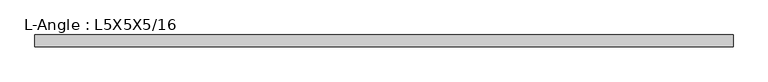
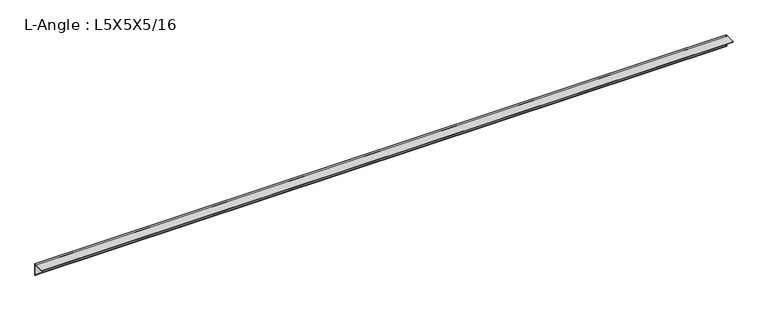
"""IFC4 building model written with IfcOpenShell, lengths in millimetres: beam geometry, L-Angle : L5X5X5/16."""

from ifc_helpers import new_model, si_unit, point, frame, frame_2d, origin, place, context, project, spatial, polyline, circle_curve, trimmed, segment, composite_curve, outline, extrude, source, transform, mapped, element, save


def l_angle_l5x5x5_16_a38f72eb(model_context):
    return source(origin(), model_context, "Body", "SweptSolid", [
        extrude(outline(composite_curve([segment(polyline([(34.3296875, 34.3296875), (34.3296875, -92.6703125)]), True, "CONTINUOUS"), segment(trimmed(circle_curve(frame_2d((34.3296875, -84.7328125)), 7.9375), [point((34.3296875, -92.6703125))], [point((26.3921875, -84.7328125))], False, "CARTESIAN"), True, "CONTINUOUS"), segment(polyline([(26.3921875, -84.7328125), (26.3921875, 18.4546875)]), True, "CONTINUOUS"), segment(trimmed(circle_curve(frame_2d((18.4546875, 18.4546875)), 7.9375), [point((26.3921875, 18.4546875))], [point((18.4546875, 26.3921875))], True, "CARTESIAN"), True, "CONTINUOUS"), segment(polyline([(18.4546875, 26.3921875), (-84.7328125, 26.3921875)]), True, "CONTINUOUS"), segment(trimmed(circle_curve(frame_2d((-84.7328125, 34.3296875)), 7.9375), [point((-84.7328125, 26.3921875))], [point((-92.6703125, 34.3296875))], False, "CARTESIAN"), True, "CONTINUOUS"), segment(polyline([(-92.6703125, 34.3296875), (34.3296875, 34.3296875)]), True, "CONTINUOUS")], self_intersect=False)), frame((-3733.8, 0.0, 0.0), z_axis=(1.0, 0.0, 0.0), x_axis=(0.0, 1.0, 0.0)), (0.0, 0.0, 1.0), 7467.6),
    ])


if __name__ == "__main__":
    model = new_model("IFC4")
    model_context = context("Model", 3, world=origin())
    ifc_project = project(units=[si_unit("LENGTHUNIT", "METRE", prefix="MILLI")], contexts=[model_context])
    site = spatial("IfcSite", under=ifc_project)
    building = spatial("IfcBuilding", under=site)
    placement = place(None, origin())
    l_angle_l5x5x5_16_shape = l_angle_l5x5x5_16_a38f72eb(model_context)
    element("IfcBeam", 1, ObjectType="L-Angle : L5X5X5/16", at=placement, inside=building, context=model_context, shape_type="MappedRepresentation", body=[
        mapped(l_angle_l5x5x5_16_shape, transform((0.0, 0.0, 0.0), x_axis=(1.0, 0.0, 0.0), y_axis=(0.0, 1.0, 0.0), z_axis=(0.0, 0.0, 1.0))),
    ])
    save(model, "model.ifc")
